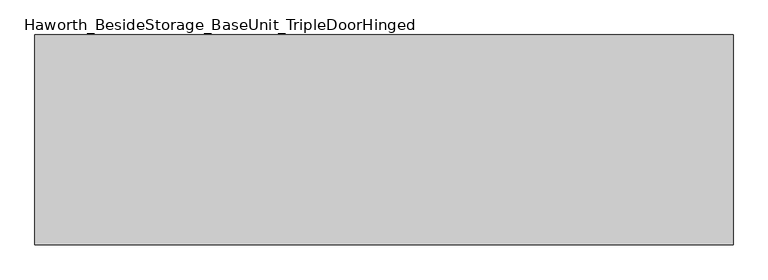
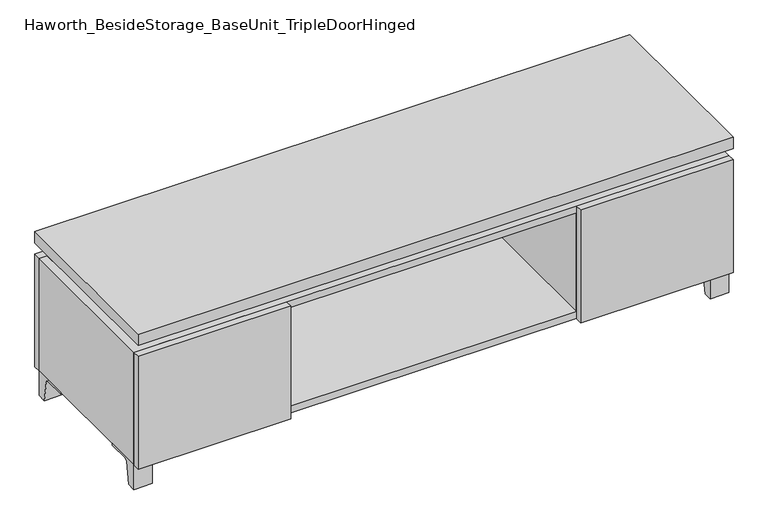
"""IFC4 building model written with IfcOpenShell, lengths in millimetres: furniture geometry, Haworth_BesideStorage_BaseUnit_TripleDoorHinged."""

from ifc_helpers import new_model, si_unit, point, frame, frame_2d, origin, place, context, project, spatial, polyline, circle_curve, trimmed, segment, composite_curve, outline, extrude, faceted_brep, source, transform, mapped, element, save


def haworth_besidestorage_baseunit_tripledoorhinged_777782a5(model_context):
    return source(origin(), model_context, "Body", "SolidModel", [
        extrude(outline(composite_curve([segment(polyline([(38.6291531, 0.0), (15.875, 0.0), (15.875, 66.675), (111.125, 66.675), (111.125, 61.8963321), (54.3244655, 61.8963321)]), True, "CONTINUOUS"), segment(trimmed(circle_curve(frame_2d((54.3244655, 55.5463321)), 6.35), [point((54.3244655, 61.8963321))], [point((48.0608641, 56.5902656))], True, "CARTESIAN"), True, "CONTINUOUS"), segment(polyline([(48.0608641, 56.5902656), (38.6291531, 0.0)]), True, "CONTINUOUS")], self_intersect=False)), frame((-23.7986094, 0.0, 0.0), z_axis=(1.0, 0.0, 0.0), x_axis=(0.0, 1.0, 0.0)), (0.0, 0.0, 1.0), 47.625),
        extrude(outline(composite_curve([segment(polyline([(-129.6458469, 0.0), (-152.4, 0.0), (-152.4, 66.675), (-57.15, 66.675), (-57.15, 61.8963321), (-113.9505345, 61.8963321)]), True, "CONTINUOUS"), segment(trimmed(circle_curve(frame_2d((-113.9505345, 55.5463321)), 6.35), [point((-113.9505345, 61.8963321))], [point((-120.2141359, 56.5902656))], True, "CARTESIAN"), True, "CONTINUOUS"), segment(polyline([(-120.2141359, 56.5902656), (-129.6458469, 0.0)]), True, "CONTINUOUS")], self_intersect=False)), frame((712.8013906, 0.0, 0.0), z_axis=(1.0, 0.0, 0.0), x_axis=(0.0, 1.0, 0.0)), (0.0, 0.0, 1.0), 47.625),
        extrude(outline(composite_curve([segment(polyline([(243.9458469, 0.0), (234.5141359, 56.5902656)]), True, "CONTINUOUS"), segment(trimmed(circle_curve(frame_2d((228.2505345, 55.5463321)), 6.35), [point((234.5141359, 56.5902656))], [point((228.2505345, 61.8963321))], True, "CARTESIAN"), True, "CONTINUOUS"), segment(polyline([(228.2505345, 61.8963321), (171.45, 61.8963321), (171.45, 66.675), (266.7, 66.675), (266.7, 0.0), (243.9458469, 0.0)]), True, "CONTINUOUS")], self_intersect=False)), frame((712.8013906, 0.0, 0.0), z_axis=(1.0, 0.0, 0.0), x_axis=(0.0, 1.0, 0.0)), (0.0, 0.0, 1.0), 47.625),
        extrude(outline(composite_curve([segment(polyline([(-129.6458469, 0.0), (-152.4, 0.0), (-152.4, 66.675), (-57.15, 66.675), (-57.15, 61.8963321), (-113.9505345, 61.8963321)]), True, "CONTINUOUS"), segment(trimmed(circle_curve(frame_2d((-113.9505345, 55.5463321)), 6.35), [point((-113.9505345, 61.8963321))], [point((-120.2141359, 56.5902656))], True, "CARTESIAN"), True, "CONTINUOUS"), segment(polyline([(-120.2141359, 56.5902656), (-129.6458469, 0.0)]), True, "CONTINUOUS")], self_intersect=False)), frame((-760.3986094, 0.0, 0.0), z_axis=(1.0, 0.0, 0.0), x_axis=(0.0, 1.0, 0.0)), (0.0, 0.0, 1.0), 47.625),
        extrude(outline(composite_curve([segment(polyline([(243.9458469, 0.0), (234.5141359, 56.5902656)]), True, "CONTINUOUS"), segment(trimmed(circle_curve(frame_2d((228.2505345, 55.5463321)), 6.35), [point((234.5141359, 56.5902656))], [point((228.2505345, 61.8963321))], True, "CARTESIAN"), True, "CONTINUOUS"), segment(polyline([(228.2505345, 61.8963321), (171.45, 61.8963321), (171.45, 66.675), (266.7, 66.675), (266.7, 0.0), (243.9458469, 0.0)]), True, "CONTINUOUS")], self_intersect=False)), frame((-760.3986094, 0.0, 0.0), z_axis=(1.0, 0.0, 0.0), x_axis=(0.0, 1.0, 0.0)), (0.0, 0.0, 1.0), 47.625),
        faceted_brep([(-760.3986094, -152.4, 66.675), (760.4125, -152.4, 66.675), (760.4125, -152.4, 371.475), (-760.3986094, -152.4, 371.475), (-741.3486094, -152.4, 85.725), (-741.3486094, -152.4, 352.425), (741.3694453, -152.4, 352.425), (741.3486094, -152.4, 85.725), (-760.3986094, 266.7, 66.675), (-760.3986094, 266.7, 371.475), (-741.3486094, 266.7, 371.475), (-741.3486094, 266.7, 85.725), (741.3486094, 266.7, 85.725), (741.3486094, 266.7, 371.475), (760.4125, 266.7, 371.475), (760.4125, 266.7, 66.675), (741.3486094, 241.3, 371.475), (-741.3416641, 241.3, 371.475), (-741.3486094, 241.3, 352.425), (741.3486094, 241.3, 352.425)], [[[0, 1, 2, 3], [4, 5, 6, 7]], [[8, 9, 10, 11, 12, 13, 14, 15]], [[1, 0, 8, 15]], [[2, 1, 15, 14]], [[3, 2, 14, 13, 16, 17, 10, 9]], [[0, 3, 9, 8]], [[11, 10, 17, 18, 5, 4]], [[13, 12, 7, 6, 19, 16]], [[4, 7, 12, 11]], [[6, 5, 18, 19]], [[17, 16, 19, 18]]]),
        extrude(outline(polyline([(760.4263906, -171.45), (-760.3986094, -171.45), (-760.3986094, 285.75), (760.4263906, 285.75), (760.4263906, -171.45)])), frame((0.0, 0.0, 401.6375), z_axis=(0.0, 0.0, 1.0), x_axis=(1.0, 0.0, 0.0)), (0.0, 0.0, 1.0), 30.1625),
        faceted_brep([(7.9513906, -76.2, 401.6375), (7.9513906, -76.2, 371.475), (7.9513906, 47.625, 371.475), (7.9513906, 47.625, 401.6375), (7.9513906, 190.5, 371.475), (7.9513906, 190.5, 401.6375), (7.9513906, 66.675, 401.6375), (7.9513906, 66.675, 371.475), (-7.9236094, 190.5, 401.6375), (-7.9236094, 190.5, 371.475), (-7.9236094, 66.675, 371.475), (-7.9236094, 66.675, 401.6375), (-7.9236094, -76.2, 371.475), (-7.9236094, -76.2, 401.6375), (-7.9236094, 47.625, 401.6375), (-7.9236094, 47.625, 371.475), (-719.0958281, 66.675, 401.6375), (-719.1166641, 241.3, 401.6375), (-734.9916641, 241.3, 401.6375), (-734.9916641, -127.0, 401.6375), (-719.1166641, -127.0, 401.6375), (-719.1166641, 47.625, 401.6375), (719.1236094, 47.625, 401.6375), (719.1236094, -127.0, 401.6375), (734.9986094, -127.0, 401.6375), (734.9986094, 241.3, 401.6375), (719.1236094, 241.3, 401.6375), (719.1236094, 66.675, 401.6375), (-719.0958281, 47.625, 371.475), (-719.1166641, -127.0, 371.475), (-734.9916641, -127.0, 371.475), (-734.9916641, 241.3, 371.475), (-719.1166641, 241.3, 371.475), (-719.1166641, 66.675, 371.475), (719.1236094, 66.675, 371.475), (719.1236094, 241.3, 371.475), (734.9986094, 241.3, 371.475), (734.9986094, -127.0, 371.475), (719.1236094, -127.0, 371.475), (719.1236094, 47.625, 371.475)], [[[0, 1, 2, 3]], [[4, 5, 6, 7]], [[8, 9, 10, 11]], [[12, 13, 14, 15]], [[5, 8, 11, 16, 17, 18, 19, 20, 21, 14, 13, 0, 3, 22, 23, 24, 25, 26, 27, 6]], [[1, 12, 15, 28, 29, 30, 31, 32, 33, 10, 9, 4, 7, 34, 35, 36, 37, 38, 39, 2]], [[5, 4, 9, 8]], [[1, 0, 13, 12]], [[6, 27, 34, 7]], [[22, 3, 2, 39]], [[20, 29, 28, 21]], [[32, 17, 16, 33]], [[18, 31, 30, 19]], [[29, 20, 19, 30]], [[17, 32, 31, 18]], [[26, 35, 34, 27]], [[38, 23, 22, 39]], [[25, 24, 37, 36]], [[23, 38, 37, 24]], [[35, 26, 25, 36]], [[16, 11, 10, 33]], [[14, 21, 28, 15]]]),
        extrude(outline(polyline([(760.4263906, 266.7), (-760.3986094, 266.7), (-760.3986094, 285.75), (760.4263906, 285.75), (760.4263906, 266.7)])), frame((0.0, 0.0, 66.675), z_axis=(0.0, 0.0, 1.0), x_axis=(1.0, 0.0, 0.0)), (0.0, 0.0, 1.0), 304.8),
        extrude(outline(polyline([(-741.3416641, 196.85), (-741.3416641, 203.2), (741.3694453, 203.2), (741.3694453, 196.85), (-741.3416641, 196.85)])), frame((0.0, 0.0, 85.725), z_axis=(0.0, 0.0, 1.0), x_axis=(1.0, 0.0, 0.0)), (0.0, 0.0, 1.0), 266.7),
        extrude(outline(polyline([(370.6951406, -171.45), (370.6951406, -152.4), (760.4263906, -152.4), (760.4263906, -171.45), (370.6951406, -171.45)])), frame((0.0, 0.0, 66.675), z_axis=(0.0, 0.0, 1.0), x_axis=(1.0, 0.0, 0.0)), (0.0, 0.0, 1.0), 304.8),
        extrude(outline(polyline([(-370.6673594, -171.45), (-760.3986094, -171.45), (-760.3986094, -152.4), (-370.6673594, -152.4), (-370.6673594, -171.45)])), frame((0.0, 0.0, 66.675), z_axis=(0.0, 0.0, 1.0), x_axis=(1.0, 0.0, 0.0)), (0.0, 0.0, 1.0), 304.8),
        extrude(outline(polyline([(370.6951406, 196.85), (389.7451406, 196.85), (389.7451406, -152.4), (370.6951406, -152.4), (370.6951406, 196.85)])), frame((0.0, 0.0, 85.725), z_axis=(0.0, 0.0, 1.0), x_axis=(1.0, 0.0, 0.0)), (0.0, 0.0, 1.0), 266.7),
        extrude(outline(polyline([(-389.7173594, 196.85), (-370.6673594, 196.85), (-370.6673594, -152.4), (-389.7173594, -152.4), (-389.7173594, 196.85)])), frame((0.0, 0.0, 85.725), z_axis=(0.0, 0.0, 1.0), x_axis=(1.0, 0.0, 0.0)), (0.0, 0.0, 1.0), 266.7),
    ])


if __name__ == "__main__":
    model = new_model("IFC4")
    model_context = context("Model", 3, world=origin())
    ifc_project = project(units=[si_unit("LENGTHUNIT", "METRE", prefix="MILLI")], contexts=[model_context])
    site = spatial("IfcSite", under=ifc_project)
    building = spatial("IfcBuilding", under=site)
    placement = place(None, origin())
    haworth_besidestorage_baseunit_tripledoorhinged_shape = haworth_besidestorage_baseunit_tripledoorhinged_777782a5(model_context)
    element("IfcFurniture", 1, ObjectType="Haworth_BesideStorage_BaseUnit_TripleDoorHinged", at=placement, inside=building, context=model_context, shape_type="MappedRepresentation", body=[
        mapped(haworth_besidestorage_baseunit_tripledoorhinged_shape, transform((0.0, 0.0, 0.0), x_axis=(1.0, 0.0, 0.0), y_axis=(0.0, 1.0, 0.0), z_axis=(0.0, 0.0, 1.0))),
    ])
    save(model, "model.ifc")
